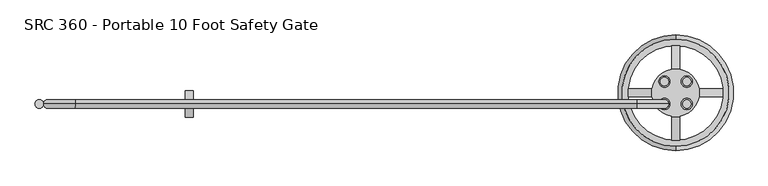
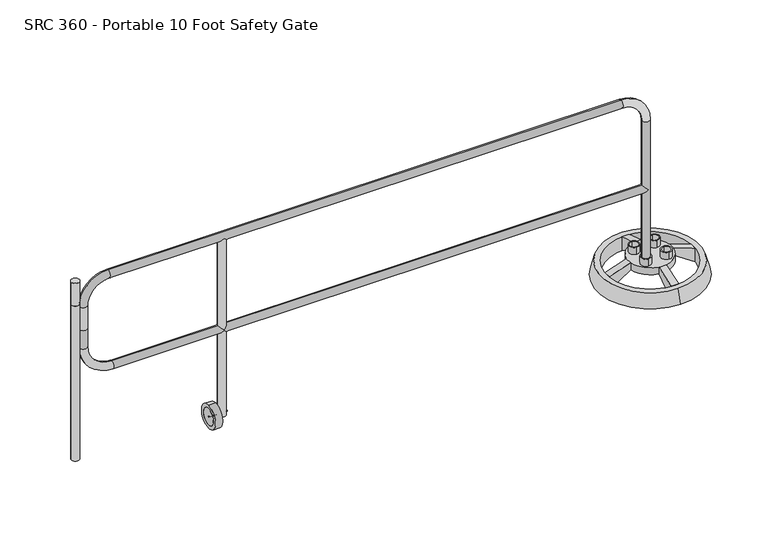
"""IFC4 building model written with IfcOpenShell, lengths in millimetres: railing geometry, SRC 360 - Portable 10 Foot Safety Gate."""

import ifcopenshell
import ifcopenshell.guid

model = None  # the IFC model being written
_history = None  # IfcOwnerHistory: only IFC2X3 demands one
_inside = {}  # id of a spatial element -> (the spatial element, [elements in it])
_under = {}  # id of a project, library or spatial element -> (it, [spatial elements below it])
_declared = {}  # id of a project -> (the project, [libraries it declares])
_typed = {}  # id of a type object -> (the type object, [elements of that type])
_made_of = {}  # id of a material, layer set ... -> (it, [elements and type objects made of it])


def new_model(schema):
    """Start an empty IFC model of exactly this schema.

    Asked for "IFC4X3", IfcOpenShell would pick the latest addendum, in which some entities
    have other attributes; the version numbers below select the first issue.
    IFC2X3 requires an IfcOwnerHistory on every rooted entity: one is made here for all.
    """
    global model, _history
    if schema == "IFC4X3":
        model = ifcopenshell.file(schema_version=(4, 3, 0, 0))
    else:
        model = ifcopenshell.file(schema=schema)
    _inside.clear()
    _under.clear()
    _declared.clear()
    _typed.clear()
    _made_of.clear()
    _history = None
    if model.schema == "IFC2X3":
        org = make("IfcOrganization", Name="unknown")
        user = make(
            "IfcPersonAndOrganization",
            ThePerson=make("IfcPerson", FamilyName="unknown"),
            TheOrganization=org,
        )
        app = make(
            "IfcApplication",
            ApplicationDeveloper=org,
            Version="unknown",
            ApplicationFullName="unknown",
            ApplicationIdentifier="unknown",
        )
        _history = make(
            "IfcOwnerHistory",
            OwningUser=user,
            OwningApplication=app,
            ChangeAction="ADDED",
            CreationDate=0,
        )
    return model


def make(cls, **values):
    """One entity of the class cls with the attributes given. An attribute that is None is left unset."""
    return model.create_entity(
        cls, **{name: value for name, value in values.items() if value is not None}
    )


def rooted(cls, **values):
    """An entity with a GlobalId (a new one), such as an element, a storey or a relation."""
    return make(cls, GlobalId=ifcopenshell.guid.new(), OwnerHistory=_history, **values)


def si_unit(unit_type, name, prefix=None):
    """IfcSIUnit, for example si_unit("LENGTHUNIT", "METRE", prefix="MILLI")."""
    return make("IfcSIUnit", UnitType=unit_type, Prefix=prefix, Name=name)


def assignment(units):
    """IfcUnitAssignment: the units of a project."""
    return None if units is None else make("IfcUnitAssignment", Units=units)


def point(xyz):
    """IfcCartesianPoint."""
    return None if xyz is None else make("IfcCartesianPoint", Coordinates=xyz)


def direction(xyz):
    """IfcDirection."""
    return None if xyz is None else make("IfcDirection", DirectionRatios=xyz)


def frame(location, z_axis=None, x_axis=None):
    """IfcAxis2Placement3D, a coordinate frame: its origin and axes. An axis left out is left unset."""
    return make(
        "IfcAxis2Placement3D",
        Location=point(location),
        Axis=direction(z_axis),
        RefDirection=direction(x_axis),
    )


def frame_2d(location, x_axis=None):
    """IfcAxis2Placement2D, a coordinate frame in the plane: its origin and x axis."""
    return make(
        "IfcAxis2Placement2D", Location=point(location), RefDirection=direction(x_axis)
    )


def origin():
    """The frame at (0, 0, 0) with its axes left unset."""
    return frame((0.0, 0.0, 0.0))


def place(relative_to, where):
    """IfcLocalPlacement: puts the frame where relative to a parent placement (None: the world)."""
    return make(
        "IfcLocalPlacement", PlacementRelTo=relative_to, RelativePlacement=where
    )


def context(
    kind, dimensions, precision=None, world=None, true_north=None, identifier=None
):
    """IfcGeometricRepresentationContext, for example the 3D "Model" context."""
    return make(
        "IfcGeometricRepresentationContext",
        ContextIdentifier=identifier,
        ContextType=kind,
        CoordinateSpaceDimension=dimensions,
        Precision=precision,
        WorldCoordinateSystem=world,
        TrueNorth=true_north,
    )


def project(units=None, contexts=None):
    """IfcProject with its units and contexts."""
    return rooted(
        "IfcProject",
        Name="project",
        RepresentationContexts=contexts,
        UnitsInContext=assignment(units),
    )


def spatial(cls, under=None, at=None, **own):
    """A site, building, storey or space (cls), placed at a placement, below another one or the project."""
    s = rooted(cls, ObjectPlacement=at, **own)
    if under is not None:
        _under.setdefault(under.id(), (under, []))[1].append(s)
    return s


def polyline(points):
    """IfcPolyline through the points."""
    return make("IfcPolyline", Points=[point(p) for p in points])


def circle_curve(where, radius):
    """IfcCircle in the frame where."""
    return make("IfcCircle", Position=where, Radius=radius)


def ellipse_curve(where, semi_axis1, semi_axis2):
    """IfcEllipse in the frame where."""
    return make(
        "IfcEllipse", Position=where, SemiAxis1=semi_axis1, SemiAxis2=semi_axis2
    )


def trimmed(basis, trim1, trim2, sense, master):
    """IfcTrimmedCurve: the piece of a basis curve between two trims."""
    return make(
        "IfcTrimmedCurve",
        BasisCurve=basis,
        Trim1=trim1,
        Trim2=trim2,
        SenseAgreement=sense,
        MasterRepresentation=master,
    )


def segment(curve, same_sense, transition):
    """IfcCompositeCurveSegment."""
    return make(
        "IfcCompositeCurveSegment",
        Transition=transition,
        SameSense=same_sense,
        ParentCurve=curve,
    )


def composite_curve(segments, self_intersect=None):
    """IfcCompositeCurve: segments joined end to end."""
    return make("IfcCompositeCurve", Segments=segments, SelfIntersect=self_intersect)


def outline(outer, holes=None, kind="AREA"):
    """IfcArbitraryClosedProfileDef: a profile drawn as a closed curve; with holes, ...WithVoids."""
    if holes is None:
        return make("IfcArbitraryClosedProfileDef", ProfileType=kind, OuterCurve=outer)
    return make(
        "IfcArbitraryProfileDefWithVoids",
        ProfileType=kind,
        OuterCurve=outer,
        InnerCurves=holes,
    )


def extrude(swept, where, along, depth):
    """IfcExtrudedAreaSolid: the profile swept, set in the frame where, extruded along a direction by depth."""
    return make(
        "IfcExtrudedAreaSolid",
        SweptArea=swept,
        Position=where,
        ExtrudedDirection=direction(along),
        Depth=depth,
    )


def shape(context_of_items, identifier, shape_type, items):
    """IfcShapeRepresentation: the items that make up one representation, for example the "Body"."""
    return make(
        "IfcShapeRepresentation",
        ContextOfItems=context_of_items,
        RepresentationIdentifier=identifier,
        RepresentationType=shape_type,
        Items=items,
    )


def source(mapping_origin, context_of_items, identifier, shape_type, items):
    """IfcRepresentationMap: a shape defined once, which mapped items show again and again."""
    return make(
        "IfcRepresentationMap",
        MappingOrigin=mapping_origin,
        MappedRepresentation=shape(context_of_items, identifier, shape_type, items),
    )


def transform(
    local_origin,
    x_axis=None,
    y_axis=None,
    z_axis=None,
    scale=None,
    scale2=None,
    scale3=None,
    uniform=True,
):
    """IfcCartesianTransformationOperator3D, or its non-uniform kind. x_axis, y_axis, z_axis: its Axis1, 2, 3."""
    if uniform:
        return make(
            "IfcCartesianTransformationOperator3D",
            Axis1=direction(x_axis),
            Axis2=direction(y_axis),
            LocalOrigin=point(local_origin),
            Scale=scale,
            Axis3=direction(z_axis),
        )
    return make(
        "IfcCartesianTransformationOperator3DnonUniform",
        Axis1=direction(x_axis),
        Axis2=direction(y_axis),
        LocalOrigin=point(local_origin),
        Scale=scale,
        Axis3=direction(z_axis),
        Scale2=scale2,
        Scale3=scale3,
    )


def mapped(mapping_source, mapping_target):
    """IfcMappedItem: shows the shape of a source again, moved by a transform."""
    return make(
        "IfcMappedItem", MappingSource=mapping_source, MappingTarget=mapping_target
    )


def made_of(thing, what):
    """Note that an element or type object is made of a material, layer set ...; save() writes the relation."""
    if what is not None:
        _made_of.setdefault(what.id(), (what, []))[1].append(thing)
    return thing


def element(
    cls,
    number,
    at=None,
    inside=None,
    cuts=None,
    type_object=None,
    material=None,
    context=None,
    identifier="Body",
    shape_type=None,
    held_by="IfcProductDefinitionShape",
    body=None,
    shapes=None,
    **own,
):
    """One element of the class cls, such as IfcWall. Its Tag is "e" and its number.

    at: its placement. inside: the storey or other place that contains it. cuts: it is an
    opening in that element (IfcRelVoidsElement). A single representation is given by context,
    identifier, shape_type and body (its items); several are given by shapes. held_by: the class
    of the entity that holds the representations. save() writes the other relations.
    """
    e = rooted(cls, Tag="e%d" % number, ObjectPlacement=at, **own)
    if body is not None:
        shapes = [shape(context, identifier, shape_type, body)]
    if shapes is not None:
        e.Representation = make(held_by, Representations=shapes)
    if inside is not None:
        _inside.setdefault(inside.id(), (inside, []))[1].append(e)
    if cuts is not None:
        rooted(
            "IfcRelVoidsElement", RelatingBuildingElement=cuts, RelatedOpeningElement=e
        )
    if type_object is not None:
        _typed.setdefault(type_object.id(), (type_object, []))[1].append(e)
    return made_of(e, material)


def aggregate(whole, parts):
    """IfcRelAggregates: a whole, such as a stair, and the parts it consists of."""
    return rooted("IfcRelAggregates", RelatingObject=whole, RelatedObjects=parts)


def save(model, path):
    """Write the relations noted so far, then the file.

    IfcRelAggregates (storeys below a building ...), IfcRelContainedInSpatialStructure (elements
    in a storey), IfcRelDefinesByType, IfcRelAssociatesMaterial and IfcRelDeclares: one each for
    every whole, place, type object, material and project.
    """
    for whole, parts in _under.values():
        aggregate(whole, parts)
    for where, things in _inside.values():
        rooted(
            "IfcRelContainedInSpatialStructure",
            RelatedElements=things,
            RelatingStructure=where,
        )
    for kind, things in _typed.values():
        rooted("IfcRelDefinesByType", RelatedObjects=things, RelatingType=kind)
    for what, things in _made_of.values():
        rooted("IfcRelAssociatesMaterial", RelatedObjects=things, RelatingMaterial=what)
    for by, libraries in _declared.values():
        rooted("IfcRelDeclares", RelatingContext=by, RelatedDefinitions=libraries)
    model.write(path)


def plane_surface(at):
    """IfcPlane: the flat surface through the origin of the frame at, square to its z axis."""
    return make("IfcPlane", Position=at)


def cylinder_surface(at, radius):
    """IfcCylindricalSurface: all points at the distance radius from the z axis of the frame at."""
    return make("IfcCylindricalSurface", Position=at, Radius=radius)


def revolved_surface(curve, axis_point, axis_direction):
    """IfcSurfaceOfRevolution: the curve turned about the line through axis_point along axis_direction."""
    return make(
        "IfcSurfaceOfRevolution",
        SweptCurve=make("IfcArbitraryOpenProfileDef", ProfileType="CURVE", Curve=curve),
        AxisPosition=make("IfcAxis1Placement", Location=point(axis_point), Axis=direction(axis_direction)),
    )


def advanced_brep(points, edges, surfaces, faces):
    """IfcAdvancedBrep: a solid bounded by faces that lie on surfaces and meet in shared edges.

    An edge is (start, end): straight between two places in points (the first is 0);
    or (start, end, curve); or (start, end, curve, False) where it runs against its curve.
    A face is (place in surfaces, loops), or (place, loops, False) where it looks against
    its surface's normal. A loop lists edges by number (the first is 1), with a minus sign
    where the edge is run from its end to its start. The first loop is the outer one.
    """
    corners = [point(p) for p in points]
    vertices = [make("IfcVertexPoint", VertexGeometry=c) for c in corners]
    made = []
    for start, end, *more in edges:
        made.append(
            make(
                "IfcEdgeCurve",
                EdgeStart=vertices[start],
                EdgeEnd=vertices[end],
                EdgeGeometry=more[0] if more else make("IfcPolyline", Points=[corners[start], corners[end]]),
                SameSense=more[1] if len(more) > 1 else True,
            )
        )
    hull = []
    for where, loops, *sense in faces:
        bounds = []
        for j, loop in enumerate(loops):
            ring = [make("IfcOrientedEdge", EdgeElement=made[abs(k) - 1], Orientation=k > 0) for k in loop]
            bounds.append(
                make(
                    "IfcFaceOuterBound" if j == 0 else "IfcFaceBound",
                    Bound=make("IfcEdgeLoop", EdgeList=ring),
                    Orientation=True,
                )
            )
        hull.append(make("IfcAdvancedFace", Bounds=bounds, FaceSurface=surfaces[where], SameSense=sense[0] if sense else True))
    return make("IfcAdvancedBrep", Outer=make("IfcClosedShell", CfsFaces=hull))


def src_360_portable_10_foot_safety_gate_9b40c070(model_context):
    return source(origin(), model_context, "Body", "SolidModel", [
        advanced_brep(
        [(-33086.3035757, 11113.5643928, 114.3), (-33086.3035757, 11154.8393928, 114.3), (-33086.3035757, 11221.3274662, 114.3), (-33086.3035757, 11262.6024662, 114.3), (-32978.5405023, 11113.5643928, 114.3), (-32978.5405023, 11154.8393928, 114.3), (-32978.5405023, 11221.3274662, 114.3), (-32978.5405023, 11262.6024662, 114.3), (-33013.372039, 11302.3834295, 114.3), (-33051.472039, 11302.3834295, 114.3), (-33051.472039, 11300.7847493, 114.3), (-33145.1233588, 11207.1334295, 114.3), (-33146.722039, 11207.1334295, 114.3), (-33146.722039, 11169.0334295, 114.3), (-33145.1233588, 11169.0334295, 114.3), (-33051.472039, 11075.3821096, 114.3), (-33051.472039, 11073.7834295, 114.3), (-33013.372039, 11073.7834295, 114.3), (-33013.372039, 11075.3821096, 114.3), (-32919.7207191, 11169.0334295, 114.3), (-32918.122039, 11169.0334295, 114.3), (-32918.122039, 11207.1334295, 114.3), (-32919.7207191, 11207.1334295, 114.3), (-33013.372039, 11300.7847493, 114.3), (-33086.3035757, 11107.2143928, 114.3), (-33086.3035757, 11161.1893928, 114.3), (-33086.3035757, 11214.9774662, 114.3), (-33086.3035757, 11268.9524662, 114.3), (-32978.5405023, 11107.2143928, 114.3), (-32978.5405023, 11161.1893928, 114.3), (-32978.5405023, 11214.9774662, 114.3), (-32978.5405023, 11268.9524662, 114.3), (-33051.472039, 11302.3834295, 76.2), (-33013.372039, 11302.3834295, 76.2), (-33013.372039, 11300.7847493, 76.2), (-32919.7207191, 11207.1334295, 76.2), (-32918.122039, 11207.1334295, 76.2), (-32918.122039, 11169.0334295, 76.2), (-32919.7207191, 11169.0334295, 76.2), (-33013.372039, 11075.3821096, 76.2), (-33013.372039, 11073.7834295, 76.2), (-33051.472039, 11073.7834295, 76.2), (-33051.472039, 11075.3821096, 76.2), (-33145.1233588, 11169.0334295, 76.2), (-33146.722039, 11169.0334295, 76.2), (-33146.722039, 11207.1334295, 76.2), (-33145.1233588, 11207.1334295, 76.2), (-33051.472039, 11300.7847493, 76.2), (-33013.372039, 10960.7534295, 76.2), (-33013.372039, 10960.7534295, 0.0), (-33013.372039, 11415.4134295, 0.0), (-33013.372039, 11415.4134295, 76.2), (-33051.472039, 11415.4134295, 76.2), (-33051.472039, 11415.4134295, 0.0), (-33051.472039, 10960.7534295, 0.0), (-33051.472039, 10960.7534295, 76.2), (-33259.752039, 11169.0334295, 76.2), (-33259.752039, 11169.0334295, 0.0), (-32805.092039, 11169.0334295, 0.0), (-32805.092039, 11169.0334295, 76.2), (-32805.092039, 11207.1334295, 76.2), (-32805.092039, 11207.1334295, 0.0), (-33259.752039, 11207.1334295, 0.0), (-33259.752039, 11207.1334295, 76.2), (-33086.3035757, 11161.1893928, 152.4), (-33086.3035757, 11107.2143928, 152.4), (-33086.3035757, 11154.8393928, 152.4), (-33086.3035757, 11113.5643928, 152.4), (-33086.3035757, 11268.9524662, 152.4), (-33086.3035757, 11214.9774662, 152.4), (-33086.3035757, 11262.6024662, 152.4), (-33086.3035757, 11221.3274662, 152.4), (-32978.5405023, 11161.1893928, 152.4), (-32978.5405023, 11107.2143928, 152.4), (-32978.5405023, 11154.8393928, 152.4), (-32978.5405023, 11113.5643928, 152.4), (-32978.5405023, 11268.9524662, 152.4), (-32978.5405023, 11214.9774662, 152.4), (-32978.5405023, 11262.6024662, 152.4), (-32978.5405023, 11221.3274662, 152.4)],
        [
            (0, 1, circle_curve(frame((-33086.3035757, 11134.2018928, 114.3), z_axis=(0.0, 0.0, 1.0), x_axis=(0.0, -1.0, 0.0)), 20.6375)),
            (1, 0, circle_curve(frame((-33086.3035757, 11134.2018928, 114.3), z_axis=(0.0, 0.0, 1.0), x_axis=(0.0, -1.0, 0.0)), 20.6375)),
            (2, 3, circle_curve(frame((-33086.3035757, 11241.9649662, 114.3), z_axis=(0.0, 0.0, 1.0), x_axis=(0.0, -1.0, 0.0)), 20.6375)),
            (3, 2, circle_curve(frame((-33086.3035757, 11241.9649662, 114.3), z_axis=(0.0, 0.0, 1.0), x_axis=(0.0, -1.0, 0.0)), 20.6375)),
            (4, 5, circle_curve(frame((-32978.5405023, 11134.2018928, 114.3), z_axis=(0.0, 0.0, 1.0), x_axis=(0.0, -1.0, 0.0)), 20.6375)),
            (5, 4, circle_curve(frame((-32978.5405023, 11134.2018928, 114.3), z_axis=(0.0, 0.0, 1.0), x_axis=(0.0, -1.0, 0.0)), 20.6375)),
            (6, 7, circle_curve(frame((-32978.5405023, 11241.9649662, 114.3), z_axis=(0.0, 0.0, 1.0), x_axis=(0.0, -1.0, 0.0)), 20.6375)),
            (7, 6, circle_curve(frame((-32978.5405023, 11241.9649662, 114.3), z_axis=(0.0, 0.0, 1.0), x_axis=(0.0, -1.0, 0.0)), 20.6375)),
            (8, 9),
            (9, 10),
            (10, 11, circle_curve(frame((-33032.422039, 11188.0834295, 114.3), z_axis=(0.0, 0.0, 1.0), x_axis=(0.0, -1.0, 0.0)), 114.3)),
            (11, 12),
            (12, 13),
            (13, 14),
            (14, 15, circle_curve(frame((-33032.422039, 11188.0834295, 114.3), z_axis=(0.0, 0.0, 1.0), x_axis=(0.0, -1.0, 0.0)), 114.3)),
            (15, 16),
            (16, 17),
            (17, 18),
            (18, 19, circle_curve(frame((-33032.422039, 11188.0834295, 114.3), z_axis=(0.0, 0.0, 1.0), x_axis=(0.0, -1.0, 0.0)), 114.3)),
            (19, 20),
            (20, 21),
            (21, 22),
            (22, 23, circle_curve(frame((-33032.422039, 11188.0834295, 114.3), z_axis=(0.0, 0.0, 1.0), x_axis=(0.0, -1.0, 0.0)), 114.3)),
            (23, 8),
            (24, 25, circle_curve(frame((-33086.3035757, 11134.2018928, 114.3), z_axis=(0.0, 0.0, -1.0), x_axis=(0.0, -1.0, 0.0)), 26.9875)),
            (25, 24, circle_curve(frame((-33086.3035757, 11134.2018928, 114.3), z_axis=(0.0, 0.0, -1.0), x_axis=(0.0, -1.0, 0.0)), 26.9875)),
            (26, 27, circle_curve(frame((-33086.3035757, 11241.9649662, 114.3), z_axis=(0.0, 0.0, -1.0), x_axis=(0.0, -1.0, 0.0)), 26.9875)),
            (27, 26, circle_curve(frame((-33086.3035757, 11241.9649662, 114.3), z_axis=(0.0, 0.0, -1.0), x_axis=(0.0, -1.0, 0.0)), 26.9875)),
            (28, 29, circle_curve(frame((-32978.5405023, 11134.2018928, 114.3), z_axis=(0.0, 0.0, -1.0), x_axis=(0.0, -1.0, 0.0)), 26.9875)),
            (29, 28, circle_curve(frame((-32978.5405023, 11134.2018928, 114.3), z_axis=(0.0, 0.0, -1.0), x_axis=(0.0, -1.0, 0.0)), 26.9875)),
            (30, 31, circle_curve(frame((-32978.5405023, 11241.9649662, 114.3), z_axis=(0.0, 0.0, -1.0), x_axis=(0.0, -1.0, 0.0)), 26.9875)),
            (31, 30, circle_curve(frame((-32978.5405023, 11241.9649662, 114.3), z_axis=(0.0, 0.0, -1.0), x_axis=(0.0, -1.0, 0.0)), 26.9875)),
            (32, 33),
            (33, 34),
            (34, 35, circle_curve(frame((-33032.422039, 11188.0834295, 76.2), z_axis=(0.0, 0.0, -1.0), x_axis=(0.0, -1.0, 0.0)), 114.3)),
            (35, 36),
            (36, 37),
            (37, 38),
            (38, 39, circle_curve(frame((-33032.422039, 11188.0834295, 76.2), z_axis=(0.0, 0.0, -1.0), x_axis=(0.0, -1.0, 0.0)), 114.3)),
            (39, 40),
            (40, 41),
            (41, 42),
            (42, 43, circle_curve(frame((-33032.422039, 11188.0834295, 76.2), z_axis=(0.0, 0.0, -1.0), x_axis=(0.0, -1.0, 0.0)), 114.3)),
            (43, 44),
            (44, 45),
            (45, 46),
            (46, 47, circle_curve(frame((-33032.422039, 11188.0834295, 76.2), z_axis=(0.0, 0.0, -1.0), x_axis=(0.0, -1.0, 0.0)), 114.3)),
            (47, 32),
            (22, 35),
            (34, 23),
            (38, 19),
            (18, 39),
            (14, 43),
            (42, 15),
            (46, 11),
            (10, 47),
            (17, 48),
            (48, 49),
            (49, 40),
            (33, 50),
            (50, 51),
            (51, 8),
            (9, 52),
            (52, 53),
            (53, 32),
            (41, 54),
            (54, 55),
            (55, 16),
            (49, 54),
            (48, 55),
            (51, 52),
            (50, 53),
            (13, 56),
            (56, 57),
            (57, 44),
            (37, 58),
            (58, 59),
            (59, 20),
            (21, 60),
            (60, 61),
            (61, 36),
            (45, 62),
            (62, 63),
            (63, 12),
            (57, 62),
            (56, 63),
            (59, 60),
            (58, 61),
            (64, 65, circle_curve(frame((-33086.3035757, 11134.2018928, 152.4), z_axis=(0.0, 0.0, 1.0), x_axis=(0.0, -1.0, 0.0)), 26.9875)),
            (65, 64, circle_curve(frame((-33086.3035757, 11134.2018928, 152.4), z_axis=(0.0, 0.0, 1.0), x_axis=(0.0, -1.0, 0.0)), 26.9875)),
            (66, 67, circle_curve(frame((-33086.3035757, 11134.2018928, 152.4), z_axis=(0.0, 0.0, -1.0), x_axis=(0.0, -1.0, 0.0)), 20.6375)),
            (67, 66, circle_curve(frame((-33086.3035757, 11134.2018928, 152.4), z_axis=(0.0, 0.0, -1.0), x_axis=(0.0, -1.0, 0.0)), 20.6375)),
            (68, 69, circle_curve(frame((-33086.3035757, 11241.9649662, 152.4), z_axis=(0.0, 0.0, 1.0), x_axis=(0.0, -1.0, 0.0)), 26.9875)),
            (69, 68, circle_curve(frame((-33086.3035757, 11241.9649662, 152.4), z_axis=(0.0, 0.0, 1.0), x_axis=(0.0, -1.0, 0.0)), 26.9875)),
            (70, 71, circle_curve(frame((-33086.3035757, 11241.9649662, 152.4), z_axis=(0.0, 0.0, -1.0), x_axis=(0.0, -1.0, 0.0)), 20.6375)),
            (71, 70, circle_curve(frame((-33086.3035757, 11241.9649662, 152.4), z_axis=(0.0, 0.0, -1.0), x_axis=(0.0, -1.0, 0.0)), 20.6375)),
            (72, 73, circle_curve(frame((-32978.5405023, 11134.2018928, 152.4), z_axis=(0.0, 0.0, 1.0), x_axis=(0.0, -1.0, 0.0)), 26.9875)),
            (73, 72, circle_curve(frame((-32978.5405023, 11134.2018928, 152.4), z_axis=(0.0, 0.0, 1.0), x_axis=(0.0, -1.0, 0.0)), 26.9875)),
            (74, 75, circle_curve(frame((-32978.5405023, 11134.2018928, 152.4), z_axis=(0.0, 0.0, -1.0), x_axis=(0.0, -1.0, 0.0)), 20.6375)),
            (75, 74, circle_curve(frame((-32978.5405023, 11134.2018928, 152.4), z_axis=(0.0, 0.0, -1.0), x_axis=(0.0, -1.0, 0.0)), 20.6375)),
            (76, 77, circle_curve(frame((-32978.5405023, 11241.9649662, 152.4), z_axis=(0.0, 0.0, 1.0), x_axis=(0.0, -1.0, 0.0)), 26.9875)),
            (77, 76, circle_curve(frame((-32978.5405023, 11241.9649662, 152.4), z_axis=(0.0, 0.0, 1.0), x_axis=(0.0, -1.0, 0.0)), 26.9875)),
            (78, 79, circle_curve(frame((-32978.5405023, 11241.9649662, 152.4), z_axis=(0.0, 0.0, -1.0), x_axis=(0.0, -1.0, 0.0)), 20.6375)),
            (79, 78, circle_curve(frame((-32978.5405023, 11241.9649662, 152.4), z_axis=(0.0, 0.0, -1.0), x_axis=(0.0, -1.0, 0.0)), 20.6375)),
            (67, 0),
            (1, 66),
            (65, 24),
            (25, 64),
            (71, 2),
            (3, 70),
            (69, 26),
            (27, 68),
            (75, 4),
            (5, 74),
            (73, 28),
            (29, 72),
            (79, 6),
            (7, 78),
            (77, 30),
            (31, 76),
        ],
        [
            plane_surface(frame((-33032.422039, 11073.7834295, 114.3), z_axis=(0.0, 0.0, 1.0), x_axis=(-1.0, 0.0, 0.0))),
            plane_surface(frame((-33032.422039, 11073.7834295, 76.2), z_axis=(0.0, 0.0, -1.0), x_axis=(1.0, 0.0, 0.0))),
            cylinder_surface(frame((-33032.422039, 11188.0834295, 76.2), z_axis=(0.0, 0.0, 1.0), x_axis=(0.0, -1.0, 0.0)), 114.3),
            plane_surface(frame((-33013.372039, 11302.3834295, 76.2), z_axis=(1.0, 0.0, 0.0), x_axis=(0.0, -1.0, 0.0))),
            plane_surface(frame((-33051.472039, 11302.3834295, 76.2), z_axis=(-1.0, 0.0, 0.0), x_axis=(0.0, 1.0, 0.0))),
            plane_surface(frame((-33013.372039, 11073.7834295, 76.2), z_axis=(0.0, 0.5589927330635486, -0.8291725540453835), x_axis=(-1.0, 0.0, 0.0))),
            plane_surface(frame((-33013.372039, 10960.7534295, 0.0), z_axis=(0.0, -1.0, 0.0), x_axis=(-1.0, 0.0, 0.0))),
            plane_surface(frame((-33013.372039, 10960.7534295, 76.2), z_axis=(0.0, -0.3194201752933905, 0.9476131867041212), x_axis=(-1.0, 0.0, 0.0))),
            plane_surface(frame((-33013.372039, 11302.3834295, 114.3), z_axis=(0.0, 0.31942017529351635, 0.9476131867040788), x_axis=(-1.0, 0.0, 0.0))),
            plane_surface(frame((-33013.372039, 11415.4134295, 76.2), z_axis=(0.0, 1.0, 0.0), x_axis=(-1.0, 0.0, 0.0))),
            plane_surface(frame((-33013.372039, 11415.4134295, 0.0), z_axis=(0.0, -0.558992733064067, -0.829172554045034), x_axis=(-1.0, 0.0, 0.0))),
            plane_surface(frame((-33259.752039, 11169.0334295, 0.0), z_axis=(0.0, -1.0000000000000002, 0.0), x_axis=(-0.829172554045034, 0.0, -0.5589927330640672))),
            plane_surface(frame((-33259.752039, 11207.1334295, 0.0), z_axis=(0.0, 1.0000000000000002, 0.0), x_axis=(0.829172554045034, 0.0, 0.5589927330640672))),
            plane_surface(frame((-33146.722039, 11169.0334295, 76.2), z_axis=(0.5589927330640672, 0.0, -0.829172554045034), x_axis=(0.0, 1.0, 0.0))),
            plane_surface(frame((-33259.752039, 11169.0334295, 0.0), z_axis=(-1.0, 0.0, 0.0), x_axis=(0.0, 1.0, 0.0))),
            plane_surface(frame((-33259.752039, 11169.0334295, 76.2), z_axis=(-0.31942017529351113, 0.0, 0.9476131867040806), x_axis=(0.0, 1.0, 0.0))),
            plane_surface(frame((-32918.122039, 11169.0334295, 114.3), z_axis=(0.31942017529351646, 0.0, 0.9476131867040788), x_axis=(0.0, 1.0, 0.0))),
            plane_surface(frame((-32805.092039, 11169.0334295, 76.2), z_axis=(1.0, 0.0, 0.0), x_axis=(0.0, 1.0, 0.0))),
            plane_surface(frame((-32805.092039, 11169.0334295, 0.0), z_axis=(-0.558992733064071, 0.0, -0.8291725540450313), x_axis=(0.0, 1.0, 0.0))),
            plane_surface(frame((-33086.3035757, 11113.5643928, 152.4), z_axis=(0.0, 0.0, 1.0), x_axis=(1.0, 0.0, 0.0))),
            revolved_surface(polyline([(-33086.3035757, 11113.564392799999, 114.3), (-33086.3035757, 11113.564392799999, 152.4)]), (-33086.3035757, 11134.2018928, 114.3), (0.0, 0.0, -1.0)),
            cylinder_surface(frame((-33086.3035757, 11134.2018928, 0.0), z_axis=(0.0, 0.0, 1.0), x_axis=(0.0, -1.0, 0.0)), 26.9875),
            revolved_surface(polyline([(-33086.3035757, 11221.327466199999, 114.3), (-33086.3035757, 11221.327466199999, 152.4)]), (-33086.3035757, 11241.9649662, 0.0), (0.0, 0.0, -1.0)),
            cylinder_surface(frame((-33086.3035757, 11241.9649662, 0.0), z_axis=(0.0, 0.0, 1.0), x_axis=(0.0, -1.0, 0.0)), 26.9875),
            revolved_surface(polyline([(-32978.5405023, 11113.564392799999, 114.3), (-32978.5405023, 11113.564392799999, 152.4)]), (-32978.5405023, 11134.2018928, 0.0), (0.0, 0.0, -1.0)),
            cylinder_surface(frame((-32978.5405023, 11134.2018928, 0.0), z_axis=(0.0, 0.0, 1.0), x_axis=(0.0, -1.0, 0.0)), 26.9875),
            revolved_surface(polyline([(-32978.5405023, 11221.327466199999, 114.3), (-32978.5405023, 11221.327466199999, 152.4)]), (-32978.5405023, 11241.9649662, 0.0), (0.0, 0.0, -1.0)),
            cylinder_surface(frame((-32978.5405023, 11241.9649662, 0.0), z_axis=(0.0, 0.0, 1.0), x_axis=(0.0, -1.0, 0.0)), 26.9875),
        ],
        [
            (0, [[1, 2]]),
            (0, [[3, 4]]),
            (0, [[5, 6]]),
            (0, [[7, 8]]),
            (0, [[9, 10, 11, 12, 13, 14, 15, 16, 17, 18, 19, 20, 21, 22, 23, 24], [25, 26], [27, 28], [29, 30], [31, 32]]),
            (1, [[33, 34, 35, 36, 37, 38, 39, 40, 41, 42, 43, 44, 45, 46, 47, 48]]),
            (2, [[-23, 49, -35, 50]]),
            (2, [[-39, 51, -19, 52]]),
            (2, [[-15, 53, -43, 54]]),
            (2, [[-47, 55, -11, 56]]),
            (3, [[-40, -52, -18, 57, 58, 59]]),
            (3, [[-24, -50, -34, 60, 61, 62]]),
            (4, [[-48, -56, -10, 63, 64, 65]]),
            (4, [[-16, -54, -42, 66, 67, 68]]),
            (5, [[69, -66, -41, -59]]),
            (6, [[70, -67, -69, -58]]),
            (7, [[-17, -68, -70, -57]]),
            (8, [[71, -63, -9, -62]]),
            (9, [[72, -64, -71, -61]]),
            (10, [[-33, -65, -72, -60]]),
            (11, [[-44, -53, -14, 73, 74, 75]]),
            (11, [[-20, -51, -38, 76, 77, 78]]),
            (12, [[-36, -49, -22, 79, 80, 81]]),
            (12, [[-12, -55, -46, 82, 83, 84]]),
            (13, [[85, -82, -45, -75]]),
            (14, [[86, -83, -85, -74]]),
            (15, [[-13, -84, -86, -73]]),
            (16, [[87, -79, -21, -78]]),
            (17, [[88, -80, -87, -77]]),
            (18, [[-37, -81, -88, -76]]),
            (19, [[89, 90], [91, 92]]),
            (19, [[93, 94], [95, 96]]),
            (19, [[97, 98], [99, 100]]),
            (19, [[101, 102], [103, 104]]),
            (20, [[105, -2, 106, -92]]),
            (20, [[-106, -1, -105, -91]]),
            (21, [[107, -26, 108, -90]]),
            (21, [[-108, -25, -107, -89]]),
            (22, [[109, -4, 110, -96]]),
            (22, [[-110, -3, -109, -95]]),
            (23, [[111, -28, 112, -94]]),
            (23, [[-112, -27, -111, -93]]),
            (24, [[113, -6, 114, -100]]),
            (24, [[-114, -5, -113, -99]]),
            (25, [[115, -30, 116, -98]]),
            (25, [[-116, -29, -115, -97]]),
            (26, [[117, -8, 118, -104]]),
            (26, [[-118, -7, -117, -103]]),
            (27, [[119, -32, 120, -102]]),
            (27, [[-120, -31, -119, -101]]),
        ],
    ),
        advanced_brep(
        [(-33032.422039, 10960.7534295, 0.0), (-33032.422039, 10960.7534295, 76.2), (-33032.422039, 11415.4134295, 76.2), (-33032.422039, 11415.4134295, 0.0), (-33032.422039, 10930.3711579, 76.2), (-33032.422039, 10909.9534295, 0.0), (-33032.422039, 11466.2134295, 0.0), (-33032.422039, 11445.795701, 76.2)],
        [
            (0, 1),
            (1, 2, circle_curve(frame((-33032.422039, 11188.0834295, 76.2), z_axis=(0.0, 0.0, 1.0), x_axis=(0.0, 1.0, 0.0)), 227.33)),
            (2, 3),
            (3, 0, circle_curve(frame((-33032.422039, 11188.0834295, 0.0), z_axis=(0.0, 0.0, -1.0), x_axis=(0.0, 1.0, 0.0)), 227.33)),
            (4, 5),
            (5, 6, circle_curve(frame((-33032.422039, 11188.0834295, 0.0), z_axis=(0.0, 0.0, 1.0), x_axis=(0.0, 1.0, 0.0)), 278.13)),
            (6, 7),
            (7, 4, circle_curve(frame((-33032.422039, 11188.0834295, 76.2), z_axis=(0.0, 0.0, -1.0), x_axis=(0.0, 1.0, 0.0)), 257.7122715)),
            (7, 4, circle_curve(frame((-33032.422039, 11188.0834295, 76.2), z_axis=(0.0, 0.0, 1.0), x_axis=(0.0, -1.0, 0.0)), 257.7122715)),
            (1, 2, circle_curve(frame((-33032.422039, 11188.0834295, 76.2), z_axis=(0.0, 0.0, -1.0), x_axis=(0.0, -1.0, 0.0)), 227.33)),
            (0, 3, circle_curve(frame((-33032.422039, 11188.0834295, 0.0), z_axis=(0.0, 0.0, -1.0), x_axis=(0.0, -1.0, 0.0)), 227.33)),
            (5, 6, circle_curve(frame((-33032.422039, 11188.0834295, 0.0), z_axis=(0.0, 0.0, -1.0), x_axis=(0.0, -1.0, 0.0)), 278.13)),
        ],
        [
            revolved_surface(polyline([(-33032.422039, 11415.4134295, 76.2), (-33032.422039, 11415.4134295, 0.0)]), (-33032.422039, 11188.0834295, 0.0), (0.0, 0.0, 1.0)),
            revolved_surface(polyline([(-33032.422039, 11466.2134295, 0.0), (-33032.422039, 11445.795701, 76.2)]), (-33032.422039, 11188.0834295, 0.0), (0.0, 0.0, 1.0)),
            plane_surface(frame((-33032.422039, 11188.0834295, 76.2), z_axis=(0.0, 0.0, 1.0), x_axis=(0.0, -1.0, 0.0))),
            revolved_surface(polyline([(-33032.422039, 10960.7534295, 76.2), (-33032.422039, 10960.7534295, 0.0)]), (-33032.422039, 11188.0834295, 0.0), (0.0, 0.0, 1.0)),
            plane_surface(frame((-33032.422039, 11188.0834295, 0.0), z_axis=(0.0, 0.0, -1.0), x_axis=(0.0, -1.0, 0.0))),
            revolved_surface(polyline([(-33032.422039, 10909.9534295, 0.0), (-33032.422039, 10930.3711579, 76.2)]), (-33032.422039, 11188.0834295, 0.0), (0.0, 0.0, 1.0)),
        ],
        [
            (0, [[1, 2, 3, 4]]),
            (1, [[5, 6, 7, 8]]),
            (2, [[-8, 9], [-2, 10]]),
            (3, [[-3, -10, -1, 11]]),
            (4, [[-6, 12], [-4, -11]]),
            (5, [[-7, -12, -5, -9]]),
        ],
    ),
        extrude(outline(composite_curve([segment(trimmed(circle_curve(frame_2d((-36093.0285757, 11134.2018928)), 20.6375), [point((-36113.6660757, 11134.2018928))], [point((-36072.3910757, 11134.2018928))], False, "CARTESIAN"), True, "CONTINUOUS"), segment(trimmed(circle_curve(frame_2d((-36093.0285757, 11134.2018928)), 20.6375), [point((-36072.3910757, 11134.2018928))], [point((-36113.6660757, 11134.2018928))], False, "CARTESIAN"), True, "CONTINUOUS")], self_intersect=False)), frame((0.0, 0.0, 939.8), z_axis=(0.0, 0.0, 1.0), x_axis=(1.0, 0.0, 0.0)), (0.0, 0.0, 1.0), 127.0),
        extrude(outline(composite_curve([segment(trimmed(circle_curve(frame_2d((11134.2018928, 63.5)), 44.45), [point((11134.2018928, 107.95))], [point((11134.2018928, 19.05))], False, "CARTESIAN"), True, "CONTINUOUS"), segment(trimmed(circle_curve(frame_2d((11134.2018928, 63.5)), 44.45), [point((11134.2018928, 19.05))], [point((11134.2018928, 107.95))], False, "CARTESIAN"), True, "CONTINUOUS")], self_intersect=False)), frame((-35390.5598257, 0.0, 0.0), z_axis=(1.0, 0.0, 0.0), x_axis=(0.0, 1.0, 0.0)), (0.0, 0.0, 1.0), 38.1),
        extrude(outline(composite_curve([segment(trimmed(circle_curve(frame_2d((11134.2018928, 63.5)), 63.5), [point((11134.2018928, 127.0))], [point((11134.2018928, 0.0))], False, "CARTESIAN"), True, "CONTINUOUS"), segment(trimmed(circle_curve(frame_2d((11134.2018928, 63.5)), 63.5), [point((11134.2018928, 0.0))], [point((11134.2018928, 127.0))], False, "CARTESIAN"), True, "CONTINUOUS")], self_intersect=False), holes=[composite_curve([segment(trimmed(circle_curve(frame_2d((11134.2018928, 63.5)), 44.45), [point((11134.2018928, 107.95))], [point((11134.2018928, 19.05))], True, "CARTESIAN"), True, "CONTINUOUS"), segment(trimmed(circle_curve(frame_2d((11134.2018928, 63.5)), 44.45), [point((11134.2018928, 19.05))], [point((11134.2018928, 107.95))], True, "CARTESIAN"), True, "CONTINUOUS")], self_intersect=False)]), frame((-35390.5598257, 0.0, 0.0), z_axis=(1.0, 0.0, 0.0), x_axis=(0.0, 1.0, 0.0)), (0.0, 0.0, 1.0), 38.1),
        extrude(outline(composite_curve([segment(trimmed(circle_curve(frame_2d((11134.2018928, 63.5)), 3.175), [point((11134.2018928, 66.675))], [point((11134.2018928, 60.325))], False, "CARTESIAN"), True, "CONTINUOUS"), segment(trimmed(circle_curve(frame_2d((11134.2018928, 63.5)), 3.175), [point((11134.2018928, 60.325))], [point((11134.2018928, 66.675))], False, "CARTESIAN"), True, "CONTINUOUS")], self_intersect=False)), frame((-35390.5598257, 0.0, 0.0), z_axis=(1.0, 0.0, 0.0), x_axis=(0.0, 1.0, 0.0)), (0.0, 0.0, 1.0), 96.8375),
        extrude(outline(composite_curve([segment(trimmed(circle_curve(frame_2d((-36093.0285757, 11134.2018928)), 20.6375), [point((-36113.6660757, 11134.2018928))], [point((-36072.3910757, 11134.2018928))], False, "CARTESIAN"), True, "CONTINUOUS"), segment(trimmed(circle_curve(frame_2d((-36093.0285757, 11134.2018928)), 20.6375), [point((-36072.3910757, 11134.2018928))], [point((-36113.6660757, 11134.2018928))], False, "CARTESIAN"), True, "CONTINUOUS")], self_intersect=False)), frame((0.0, 0.0, 76.2), z_axis=(0.0, 0.0, 1.0), x_axis=(1.0, 0.0, 0.0)), (0.0, 0.0, 1.0), 863.6),
        advanced_brep(
        [(-35899.3535757, 11134.2018928, 512.7625), (-35341.3473257, 11134.2018928, 512.7625), (-35320.7098257, 11113.5643928, 533.4), (-35341.3473257, 11134.2018928, 554.0375), (-35899.3535757, 11134.2018928, 554.0375), (-33086.3035757, 11113.5643928, 533.4), (-33106.9410757, 11134.2018928, 554.0375), (-35300.0723257, 11134.2018928, 554.0375), (-35300.0723257, 11134.2018928, 512.7625), (-33106.9410757, 11134.2018928, 512.7625), (-35320.7098257, 11154.8393928, 533.4), (-33086.3035757, 11154.8393928, 533.4), (-36072.3910757, 11134.2018928, 789.78125), (-36031.1160757, 11134.2018928, 789.78125), (-36031.1160757, 11134.2018928, 914.4), (-36072.3910757, 11134.2018928, 914.4), (-35919.9910757, 11134.2018928, 1025.525), (-35919.9910757, 11134.2018928, 1066.8), (-35341.3473257, 11134.2018928, 1025.525), (-35320.7098257, 11113.5643928, 1046.1625), (-35300.0723257, 11134.2018928, 1025.525), (-33218.0660757, 11134.2018928, 1025.525), (-33218.0660757, 11134.2018928, 1066.8), (-35320.7098257, 11154.8393928, 1046.1625), (-33106.9410757, 11134.2018928, 914.4), (-33065.6660757, 11134.2018928, 914.4), (-33065.6660757, 11134.2018928, 152.4), (-33106.9410757, 11134.2018928, 152.4), (-36072.3910757, 11134.2018928, 685.8), (-36031.1160757, 11134.2018928, 685.8), (-35341.3473257, 11134.2018928, 50.8), (-35300.0723257, 11134.2018928, 50.8)],
        [
            (0, 1),
            (1, 2, ellipse_curve(frame((-35320.7098257, 11134.2018928, 533.4), z_axis=(-0.7071067811865475, 0.0, 0.7071067811865475), x_axis=(-0.7071067811865476, 0.0, -0.7071067811865474)), 29.1858324, 20.6375)),
            (2, 3, ellipse_curve(frame((-35320.7098257, 11134.2018928, 533.4), z_axis=(-0.7071067811865475, 0.0, -0.7071067811865475), x_axis=(-0.7071067811865476, 0.0, 0.7071067811865474)), 29.1858324, 20.6375)),
            (3, 4),
            (4, 0, circle_curve(frame((-35899.3535757, 11134.2018928, 533.4), z_axis=(1.0, 0.0, 0.0), x_axis=(0.0, 0.0, -1.0)), 20.6375)),
            (5, 6, ellipse_curve(frame((-33086.3035757, 11134.2018928, 533.4), z_axis=(-0.7071067811865475, 0.0, -0.7071067811865475), x_axis=(-0.7071067811865476, 0.0, 0.7071067811865474)), 29.1858324, 20.6375)),
            (6, 7),
            (7, 2, ellipse_curve(frame((-35320.7098257, 11134.2018928, 533.4), z_axis=(0.7071067811865475, 0.0, -0.7071067811865475), x_axis=(-0.7071067811865476, 0.0, -0.7071067811865474)), 29.1858324, 20.6375)),
            (2, 8, ellipse_curve(frame((-35320.7098257, 11134.2018928, 533.4), z_axis=(0.7071067811865475, 0.0, 0.7071067811865475), x_axis=(-0.7071067811865476, 0.0, 0.7071067811865474)), 29.1858324, 20.6375)),
            (8, 9),
            (9, 5, ellipse_curve(frame((-33086.3035757, 11134.2018928, 533.4), z_axis=(-0.7071067811865475, 0.0, 0.7071067811865475), x_axis=(-0.7071067811865476, 0.0, -0.7071067811865474)), 29.1858324, 20.6375)),
            (3, 10, ellipse_curve(frame((-35320.7098257, 11134.2018928, 533.4), z_axis=(-0.7071067811865475, 0.0, -0.7071067811865475), x_axis=(-0.7071067811865476, 0.0, 0.7071067811865474)), 29.1858324, 20.6375)),
            (10, 1, ellipse_curve(frame((-35320.7098257, 11134.2018928, 533.4), z_axis=(-0.7071067811865475, 0.0, 0.7071067811865475), x_axis=(-0.7071067811865476, 0.0, -0.7071067811865474)), 29.1858324, 20.6375)),
            (0, 4, circle_curve(frame((-35899.3535757, 11134.2018928, 533.4), z_axis=(1.0, 0.0, 0.0), x_axis=(0.0, 0.0, -1.0)), 20.6375)),
            (11, 9, ellipse_curve(frame((-33086.3035757, 11134.2018928, 533.4), z_axis=(-0.7071067811865475, 0.0, 0.7071067811865475), x_axis=(-0.7071067811865476, 0.0, -0.7071067811865474)), 29.1858324, 20.6375)),
            (8, 10, ellipse_curve(frame((-35320.7098257, 11134.2018928, 533.4), z_axis=(0.7071067811865475, 0.0, 0.7071067811865475), x_axis=(-0.7071067811865476, 0.0, 0.7071067811865474)), 29.1858324, 20.6375)),
            (10, 7, ellipse_curve(frame((-35320.7098257, 11134.2018928, 533.4), z_axis=(0.7071067811865475, 0.0, -0.7071067811865475), x_axis=(-0.7071067811865476, 0.0, -0.7071067811865474)), 29.1858324, 20.6375)),
            (6, 11, ellipse_curve(frame((-33086.3035757, 11134.2018928, 533.4), z_axis=(-0.7071067811865475, 0.0, -0.7071067811865475), x_axis=(-0.7071067811865476, 0.0, 0.7071067811865474)), 29.1858324, 20.6375)),
            (12, 13, circle_curve(frame((-36051.7535757, 11134.2018928, 789.78125), z_axis=(0.0, 0.0, 1.0), x_axis=(1.0, 0.0, 0.0)), 20.6375)),
            (13, 14),
            (14, 15, circle_curve(frame((-36051.7535757, 11134.2018928, 914.4), z_axis=(0.0, 0.0, -1.0), x_axis=(1.0, 0.0, 0.0)), 20.6375)),
            (15, 12),
            (15, 14, circle_curve(frame((-36051.7535757, 11134.2018928, 914.4), z_axis=(0.0, 0.0, -1.0), x_axis=(1.0, 0.0, 0.0)), 20.6375)),
            (13, 12, circle_curve(frame((-36051.7535757, 11134.2018928, 789.78125), z_axis=(0.0, 0.0, 1.0), x_axis=(1.0, 0.0, 0.0)), 20.6375)),
            (14, 16, circle_curve(frame((-35919.9910757, 11134.2018928, 914.4), z_axis=(0.0, 1.0, 0.0), x_axis=(-1.0, 0.0, 0.0)), 111.125)),
            (16, 17, circle_curve(frame((-35919.9910757, 11134.2018928, 1046.1625), z_axis=(-1.0, 0.0, 0.0), x_axis=(0.0, 0.0, -1.0)), 20.6375)),
            (17, 15, circle_curve(frame((-35919.9910757, 11134.2018928, 914.4), z_axis=(0.0, -1.0, 0.0), x_axis=(-1.0, 0.0, 0.0)), 152.4)),
            (17, 16, circle_curve(frame((-35919.9910757, 11134.2018928, 1046.1625), z_axis=(-1.0, 0.0, 0.0), x_axis=(0.0, 0.0, -1.0)), 20.6375)),
            (16, 18),
            (18, 19, ellipse_curve(frame((-35320.7098257, 11134.2018928, 1046.1625), z_axis=(-0.7071067811865475, 0.0, 0.7071067811865475), x_axis=(-0.7071067811865476, 0.0, -0.7071067811865474)), 29.1858324, 20.6375)),
            (19, 20, ellipse_curve(frame((-35320.7098257, 11134.2018928, 1046.1625), z_axis=(0.7071067811865475, 0.0, 0.7071067811865475), x_axis=(-0.7071067811865476, 0.0, 0.7071067811865474)), 29.1858324, 20.6375)),
            (20, 21),
            (21, 22, circle_curve(frame((-33218.0660757, 11134.2018928, 1046.1625), z_axis=(-1.0, 0.0, 0.0), x_axis=(0.0, 0.0, -1.0)), 20.6375)),
            (22, 17),
            (22, 21, circle_curve(frame((-33218.0660757, 11134.2018928, 1046.1625), z_axis=(-1.0, 0.0, 0.0), x_axis=(0.0, 0.0, -1.0)), 20.6375)),
            (20, 23, ellipse_curve(frame((-35320.7098257, 11134.2018928, 1046.1625), z_axis=(0.7071067811865475, 0.0, 0.7071067811865475), x_axis=(-0.7071067811865476, 0.0, 0.7071067811865474)), 29.1858324, 20.6375)),
            (23, 18, ellipse_curve(frame((-35320.7098257, 11134.2018928, 1046.1625), z_axis=(-0.7071067811865475, 0.0, 0.7071067811865475), x_axis=(-0.7071067811865476, 0.0, -0.7071067811865474)), 29.1858324, 20.6375)),
            (21, 24, circle_curve(frame((-33218.0660757, 11134.2018928, 914.4), z_axis=(0.0, 1.0, 0.0), x_axis=(0.0, 0.0, 1.0)), 111.125)),
            (24, 25, circle_curve(frame((-33086.3035757, 11134.2018928, 914.4), z_axis=(0.0, 0.0, 1.0), x_axis=(-1.0, 0.0, 0.0)), 20.6375)),
            (25, 22, circle_curve(frame((-33218.0660757, 11134.2018928, 914.4), z_axis=(0.0, -1.0, 0.0), x_axis=(0.0, 0.0, 1.0)), 152.4)),
            (25, 24, circle_curve(frame((-33086.3035757, 11134.2018928, 914.4), z_axis=(0.0, 0.0, 1.0), x_axis=(-1.0, 0.0, 0.0)), 20.6375)),
            (26, 27, circle_curve(frame((-33086.3035757, 11134.2018928, 152.4), z_axis=(0.0, 0.0, -1.0), x_axis=(-1.0, 0.0, 0.0)), 20.6375)),
            (27, 26, circle_curve(frame((-33086.3035757, 11134.2018928, 152.4), z_axis=(0.0, 0.0, -1.0), x_axis=(-1.0, 0.0, 0.0)), 20.6375)),
            (24, 6),
            (9, 27),
            (26, 25),
            (12, 28),
            (28, 29, circle_curve(frame((-36051.7535757, 11134.2018928, 685.8), z_axis=(0.0, 0.0, 1.0), x_axis=(-1.0, 0.0, 0.0)), 20.6375)),
            (29, 13),
            (29, 28, circle_curve(frame((-36051.7535757, 11134.2018928, 685.8), z_axis=(0.0, 0.0, 1.0), x_axis=(-1.0, 0.0, 0.0)), 20.6375)),
            (4, 29, circle_curve(frame((-35899.3535757, 11134.2018928, 685.8), z_axis=(0.0, 1.0, 0.0), x_axis=(-1.0, 0.0, 0.0)), 131.7625)),
            (28, 0, circle_curve(frame((-35899.3535757, 11134.2018928, 685.8), z_axis=(0.0, -1.0, 0.0), x_axis=(-1.0, 0.0, 0.0)), 173.0375)),
            (30, 31, circle_curve(frame((-35320.7098257, 11134.2018928, 50.8), z_axis=(0.0, 0.0, -1.0), x_axis=(1.0, 0.0, 0.0)), 20.6375)),
            (31, 30, circle_curve(frame((-35320.7098257, 11134.2018928, 50.8), z_axis=(0.0, 0.0, -1.0), x_axis=(1.0, 0.0, 0.0)), 20.6375)),
            (31, 8),
            (1, 30),
            (7, 20),
            (18, 3),
        ],
        [
            cylinder_surface(frame((-35899.3535757, 11134.2018928, 533.4), z_axis=(-1.0, 0.0, 0.0), x_axis=(0.0, 0.0, -1.0)), 20.6375),
            cylinder_surface(frame((-36051.7535757, 11134.2018928, 789.78125), z_axis=(0.0, 0.0, -1.0), x_axis=(1.0, 0.0, 0.0)), 20.6375),
            revolved_surface(trimmed(ellipse_curve(frame((-36051.7535757, 11134.2018928, 914.4), z_axis=(0.0, 0.0, 1.0), x_axis=(1.0, 0.0, 0.0)), 20.6375, 20.6375), [point((-36072.3910757, 11134.2018928, 914.4))], [point((-36031.1160757, 11134.2018928, 914.4))], True, "CARTESIAN"), (-35919.9910757, 11134.2018928, 914.4), (0.0, -1.0, 0.0)),
            revolved_surface(trimmed(ellipse_curve(frame((-36051.7535757, 11134.2018928, 914.4), z_axis=(0.0, 0.0, 1.0), x_axis=(1.0, 0.0, 0.0)), 20.6375, 20.6375), [point((-36031.1160757, 11134.2018928, 914.4))], [point((-36072.3910757, 11134.2018928, 914.4))], True, "CARTESIAN"), (-35919.9910757, 11134.2018928, 914.4), (0.0, -1.0, 0.0)),
            cylinder_surface(frame((-35919.9910757, 11134.2018928, 1046.1625), z_axis=(-1.0, 0.0, 0.0), x_axis=(0.0, 0.0, -1.0)), 20.6375),
            revolved_surface(trimmed(ellipse_curve(frame((-33218.0660757, 11134.2018928, 1046.1625), z_axis=(1.0, 0.0, 0.0), x_axis=(0.0, 0.0, -1.0)), 20.6375, 20.6375), [point((-33218.0660757, 11134.2018928, 1066.8))], [point((-33218.0660757, 11134.2018928, 1025.525))], True, "CARTESIAN"), (-33218.0660757, 11134.2018928, 914.4), (0.0, -1.0, 0.0)),
            revolved_surface(trimmed(ellipse_curve(frame((-33218.0660757, 11134.2018928, 1046.1625), z_axis=(1.0, 0.0, 0.0), x_axis=(0.0, 0.0, -1.0)), 20.6375, 20.6375), [point((-33218.0660757, 11134.2018928, 1025.525))], [point((-33218.0660757, 11134.2018928, 1066.8))], True, "CARTESIAN"), (-33218.0660757, 11134.2018928, 914.4), (0.0, -1.0, 0.0)),
            plane_surface(frame((-33065.6660757, 11134.2018928, 152.4), z_axis=(0.0, 0.0, -1.0), x_axis=(0.0, -1.0, 0.0))),
            cylinder_surface(frame((-33086.3035757, 11134.2018928, 914.4), z_axis=(0.0, 0.0, 1.0), x_axis=(-1.0, 0.0, 0.0)), 20.6375),
            cylinder_surface(frame((-36051.7535757, 11134.2018928, 789.78125), z_axis=(0.0, 0.0, 1.0), x_axis=(-1.0, 0.0, 0.0)), 20.6375),
            revolved_surface(trimmed(ellipse_curve(frame((-36051.7535757, 11134.2018928, 685.8), z_axis=(0.0, 0.0, -1.0), x_axis=(-1.0, 0.0, 0.0)), 20.6375, 20.6375), [point((-36031.1160757, 11134.2018928, 685.8))], [point((-36072.3910757, 11134.2018928, 685.8))], True, "CARTESIAN"), (-35899.3535757, 11134.2018928, 685.8), (0.0, 1.0, 0.0)),
            revolved_surface(trimmed(ellipse_curve(frame((-36051.7535757, 11134.2018928, 685.8), z_axis=(0.0, 0.0, -1.0), x_axis=(-1.0, 0.0, 0.0)), 20.6375, 20.6375), [point((-36072.3910757, 11134.2018928, 685.8))], [point((-36031.1160757, 11134.2018928, 685.8))], True, "CARTESIAN"), (-35899.3535757, 11134.2018928, 685.8), (0.0, 1.0, 0.0)),
            plane_surface(frame((-35320.7098257, 11134.2018928, 50.8), z_axis=(0.0, 0.0, -1.0), x_axis=(0.0, -1.0, 0.0))),
            cylinder_surface(frame((-35320.7098257, 11134.2018928, 50.8), z_axis=(0.0, 0.0, -1.0), x_axis=(1.0, 0.0, 0.0)), 20.6375),
        ],
        [
            (0, [[1, 2, 3, 4, 5]]),
            (0, [[6, 7, 8, 9, 10, 11]]),
            (0, [[-4, 12, 13, -1, 14]]),
            (0, [[15, -10, 16, 17, -7, 18]]),
            (1, [[19, 20, 21, 22]]),
            (1, [[23, -20, 24, -22]]),
            (2, [[25, 26, 27, -21]]),
            (3, [[-27, 28, -25, -23]]),
            (4, [[29, 30, 31, 32, 33, 34, -26]]),
            (4, [[-34, 35, -32, 36, 37, -29, -28]]),
            (5, [[38, 39, 40, -33]]),
            (6, [[-40, 41, -38, -35]]),
            (7, [[42, 43]]),
            (8, [[44, -6, -11, 45, -42, 46, -39]]),
            (8, [[-46, -43, -45, -15, -18, -44, -41]]),
            (9, [[-19, 47, 48, 49]]),
            (9, [[50, -47, -24, -49]]),
            (10, [[51, -48, 52, -5]]),
            (11, [[-52, -50, -51, -14]]),
            (12, [[53, 54]]),
            (13, [[55, -9, -2, 56, -54]]),
            (13, [[-3, -8, 57, -31, -30, 58]]),
            (13, [[-56, -13, -16, -55, -53]]),
            (13, [[-37, -36, -57, -17, -12, -58]]),
        ],
    ),
    ])


if __name__ == "__main__":
    model = new_model("IFC4")
    model_context = context("Model", 3, world=origin())
    ifc_project = project(units=[si_unit("LENGTHUNIT", "METRE", prefix="MILLI")], contexts=[model_context])
    site = spatial("IfcSite", under=ifc_project)
    building = spatial("IfcBuilding", under=site)
    placement = place(None, origin())
    src_360_portable_10_foot_safety_gate_shape = src_360_portable_10_foot_safety_gate_9b40c070(model_context)
    element("IfcRailing", 1, ObjectType="SRC 360 - Portable 10 Foot Safety Gate", at=placement, inside=building, context=model_context, shape_type="MappedRepresentation", body=[
        mapped(src_360_portable_10_foot_safety_gate_shape, transform((0.0, 0.0, 0.0), x_axis=(1.0, 0.0, 0.0), y_axis=(0.0, 1.0, 0.0), z_axis=(0.0, 0.0, 1.0))),
    ])
    save(model, "model.ifc")
